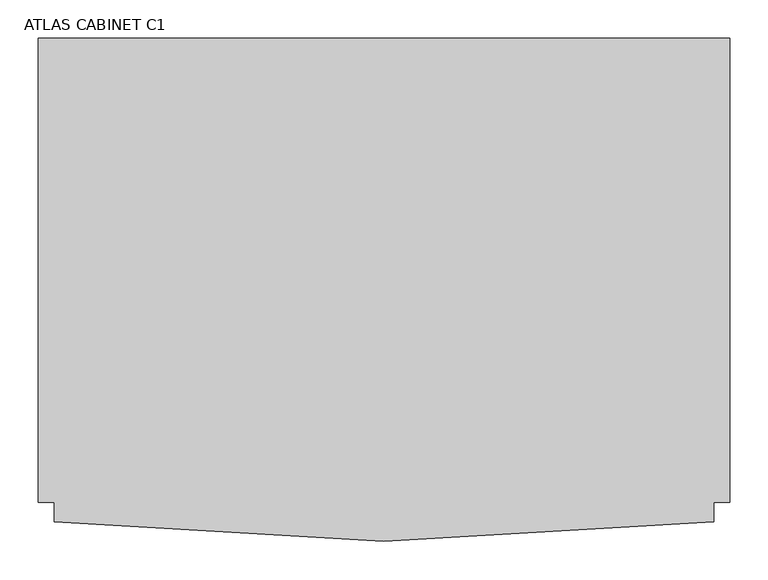
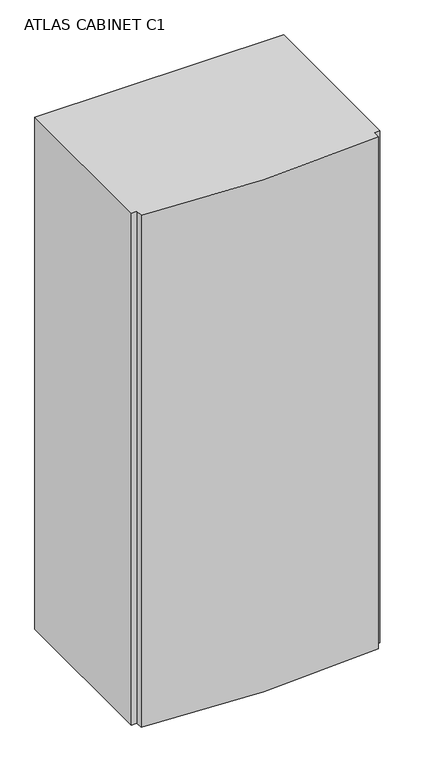
"""IFC4 building model written with IfcOpenShell, lengths in millimetres: proxy geometry, ATLAS CABINET C1."""

from ifc_helpers import new_model, si_unit, point, frame_2d, origin, origin_with_axes, place, context, project, spatial, polyline, circle_curve, trimmed, segment, composite_curve, outline, extrude, source, transform, mapped, element, save


def atlas_cabinet_c1_d4e14c75(model_context):
    return source(origin(), model_context, "Body", "SweptSolid", [
        extrude(outline(composite_curve([segment(polyline([(972.5434384, -26.6040959), (952.1251297, -26.6040959), (952.1251297, -51.9064703)]), True, "CONTINUOUS"), segment(trimmed(circle_curve(frame_2d((523.3435748, 3568.5721697)), 3645.7810143), [point((952.1251297, -51.9064703))], [point((94.5620198, -51.9064703))], False, "CARTESIAN"), True, "CONTINUOUS"), segment(polyline([(94.5620198, -51.9064703), (94.5620198, -26.6040959), (74.1438473, -26.6040959), (74.1438473, 576.8411554), (972.5434384, 576.8411554), (972.5434384, -26.6040959)]), True, "CONTINUOUS")], self_intersect=False)), origin_with_axes(), (0.0, 0.0, 1.0), 1955.8),
    ])


if __name__ == "__main__":
    model = new_model("IFC4")
    model_context = context("Model", 3, world=origin())
    ifc_project = project(units=[si_unit("LENGTHUNIT", "METRE", prefix="MILLI")], contexts=[model_context])
    site = spatial("IfcSite", under=ifc_project)
    building = spatial("IfcBuilding", under=site)
    placement = place(None, origin())
    atlas_cabinet_c1_shape = atlas_cabinet_c1_d4e14c75(model_context)
    element("IfcBuildingElementProxy", 1, Name="ATLAS CABINET C1", ObjectType="ATLAS CABINET C1", at=placement, inside=building, context=model_context, shape_type="MappedRepresentation", body=[
        mapped(atlas_cabinet_c1_shape, transform((0.0, 0.0, 0.0), x_axis=(1.0, 0.0, 0.0), y_axis=(0.0, 1.0, 0.0), z_axis=(0.0, 0.0, 1.0))),
    ])
    save(model, "model.ifc")
